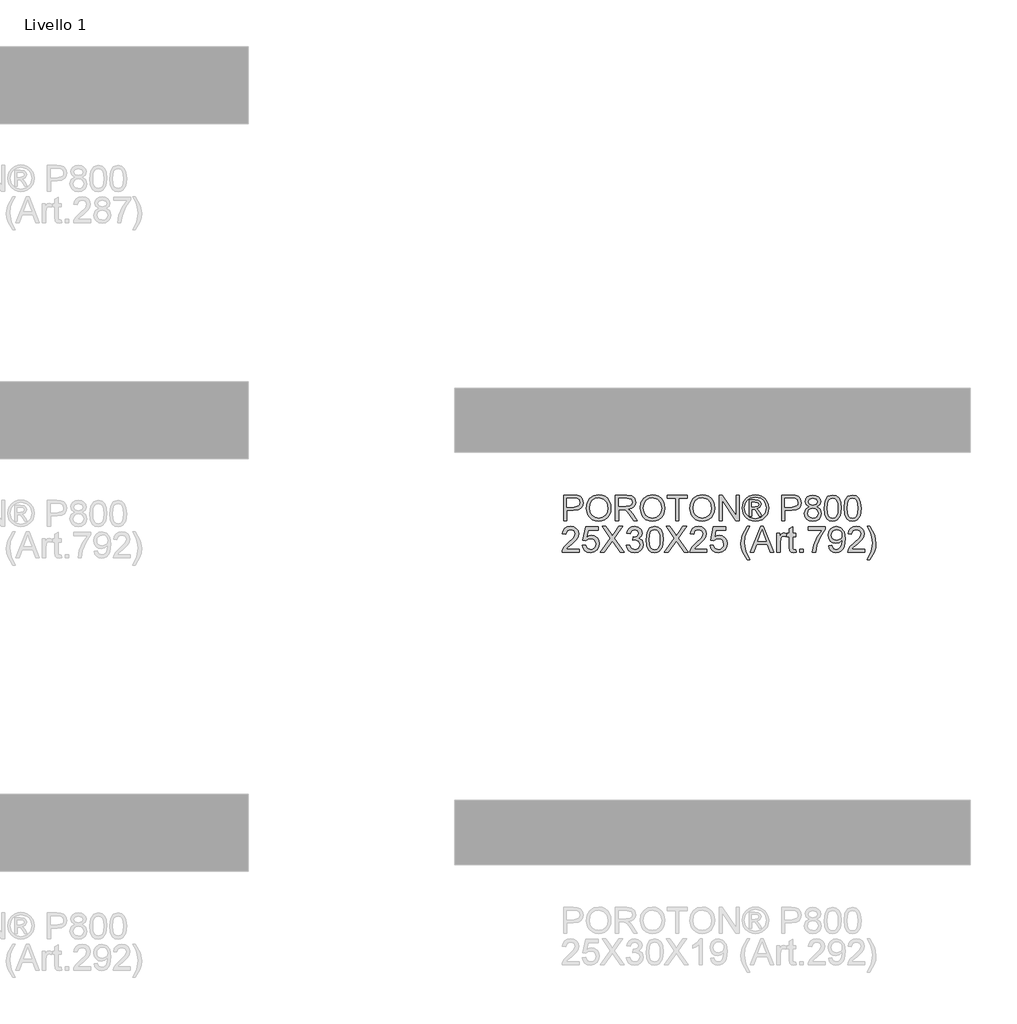
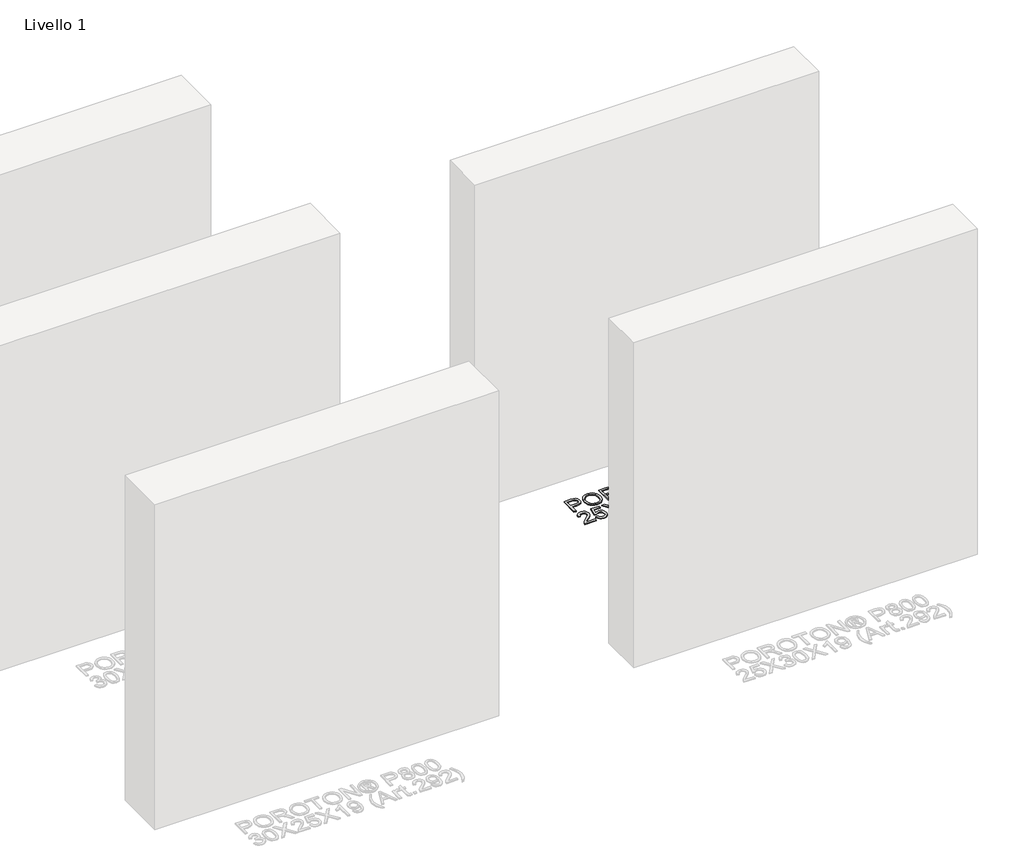
# One storey, part 8 of 8: 1 proxy.
"""IFC4 building model written with IfcOpenShell, lengths in millimetres."""

from ifc_helpers import new_model, si_unit, origin, origin_with_axes, place, context, project, spatial, polyline, outline, extrude, element, save

model = new_model("IFC4")

# Units and contexts
model_context = context("Model", 3, world=origin())
ifc_project = project(units=[si_unit("LENGTHUNIT", "METRE", prefix="MILLI")], contexts=[model_context])

# Site, building, storey
site = spatial("IfcSite", under=ifc_project)
building = spatial("IfcBuilding", under=site)
storey = spatial("IfcBuildingStorey", under=building, Name="Livello 1", Elevation=0.0)

# Proxy
placement = place(None, origin())
element("IfcBuildingElementProxy", 1, Name="100", ObjectType="100", at=placement, inside=storey, context=model_context, shape_type="SweptSolid", body=[
    extrude(outline(polyline([(1080.1467848, 3886.8671601), (1080.1467848, 3987.3234702), (1117.3764427, 3987.3234702), (1132.3860281, 3986.3669771), (1144.5874477, 3981.6703502), (1152.4969105, 3971.9582656), (1155.4890174, 3958.2607926), (1153.4687322, 3946.4211237), (1147.4078763, 3936.5557549), (1136.0740451, 3929.8970908), (1118.2348341, 3927.6775361), (1092.7038236, 3927.6775361), (1092.7038236, 3886.8671601), (1080.1467848, 3886.8671601)]), holes=[polyline([(1092.7038236, 3940.2345749), (1118.9705981, 3940.2345749), (1137.4627997, 3944.8453625), (1141.5646839, 3950.3942493), (1142.9319787, 3957.8193342), (1139.7068798, 3968.218132), (1131.2333312, 3973.9080401), (1118.6762925, 3974.7664315), (1092.7038236, 3974.7664315), (1092.7038236, 3940.2345749)])]), origin_with_axes(), (0.0, 0.0, 1.0), 5.0),
    extrude(outline(polyline([(1168.0460562, 3935.77094), (1171.3937824, 3957.9848811), (1181.4369608, 3974.7909569), (1196.7715087, 3985.3675643), (1215.9933429, 3988.8931001), (1229.1696497, 3987.2376311), (1240.9847931, 3982.2712242), (1250.7949797, 3974.3433672), (1257.9564158, 3963.803548), (1262.3342116, 3951.1606701), (1263.7934768, 3936.9236369), (1262.2575695, 3922.4965313), (1257.6498475, 3909.6758438), (1250.2247626, 3899.1176305), (1240.2367664, 3891.4779478), (1228.5227905, 3886.8426346), (1215.9197665, 3885.2975302), (1202.5411246, 3887.0051158), (1190.6585362, 3892.1278726), (1180.8728751, 3900.2028824), (1173.7850153, 3910.767227), (1168.0460562, 3935.77094)]), holes=[polyline([(1180.603095, 3935.6483127), (1183.1138896, 3919.9336201), (1190.6462734, 3907.9590611), (1201.9678418, 3900.380692), (1215.8461901, 3897.854569), (1229.9268735, 3900.4052175), (1241.266836, 3908.057163), (1248.7440375, 3920.399604), (1251.2364381, 3937.0217388), (1246.9690069, 3957.7457578), (1234.4978073, 3971.4677562), (1216.0669193, 3976.3360613), (1202.5595187, 3973.9908136), (1191.0754691, 3966.9550704), (1183.2211885, 3954.4378856), (1180.603095, 3935.6483127)])]), origin_with_axes(), (0.0, 0.0, 1.0), 5.0),
    extrude(outline(polyline([(1281.0594051, 3886.8671601), (1281.0594051, 3987.3234702), (1324.3468532, 3987.3234702), (1344.4454729, 3984.6134062), (1355.4328818, 3975.0239489), (1359.5408974, 3959.8304225), (1357.8394432, 3949.9343968), (1352.7350805, 3941.7306283), (1344.0745252, 3935.7157577), (1331.7044931, 3932.3864256), (1338.8414038, 3927.0153485), (1349.0194724, 3914.0904277), (1365.7703659, 3886.8671601), (1351.1777134, 3886.8671601), (1338.1056398, 3907.689281), (1328.6633353, 3921.4725931), (1322.0291967, 3927.9841044), (1316.0572456, 3930.3753374), (1308.7731821, 3930.8167958), (1293.6164439, 3930.8167958), (1293.6164439, 3886.8671601), (1281.0594051, 3886.8671601)]), holes=[polyline([(1293.6164439, 3943.3738345), (1321.7226283, 3943.3738345), (1336.0577634, 3945.1519309), (1344.2002182, 3950.8418391), (1346.9838587, 3959.3644386), (1341.6740952, 3970.4254239), (1324.8864135, 3974.7664315), (1293.6164439, 3974.7664315), (1293.6164439, 3943.3738345)])]), origin_with_axes(), (0.0, 0.0, 1.0), 5.0),
    extrude(outline(polyline([(1376.8068257, 3935.77094), (1380.1545519, 3957.9848811), (1390.1977304, 3974.7909569), (1405.5322782, 3985.3675643), (1424.7541124, 3988.8931001), (1437.9304192, 3987.2376311), (1449.7455627, 3982.2712242), (1459.5557492, 3974.3433672), (1466.7171854, 3963.803548), (1471.0949811, 3951.1606701), (1472.5542464, 3936.9236369), (1471.018339, 3922.4965313), (1466.410617, 3909.6758438), (1458.9855321, 3899.1176305), (1448.9975359, 3891.4779478), (1437.2835601, 3886.8426346), (1424.680536, 3885.2975302), (1411.3018942, 3887.0051158), (1399.4193057, 3892.1278726), (1389.6336446, 3900.2028824), (1382.5457849, 3910.767227), (1376.8068257, 3935.77094)]), holes=[polyline([(1389.3638645, 3935.6483127), (1391.8746591, 3919.9336201), (1399.407043, 3907.9590611), (1410.7286114, 3900.380692), (1424.6069596, 3897.854569), (1438.687643, 3900.4052175), (1450.0276055, 3908.057163), (1457.5048071, 3920.399604), (1459.9972076, 3937.0217388), (1455.7297764, 3957.7457578), (1443.2585768, 3971.4677562), (1424.8276888, 3976.3360613), (1411.3202883, 3973.9908136), (1399.8362386, 3966.9550704), (1391.981958, 3954.4378856), (1389.3638645, 3935.6483127)])]), origin_with_axes(), (0.0, 0.0, 1.0), 5.0),
    extrude(outline(polyline([(1514.9342522, 3886.8671601), (1514.9342522, 3974.7664315), (1481.9720254, 3974.7664315), (1481.9720254, 3987.3234702), (1560.4535177, 3987.3234702), (1560.4535177, 3974.7664315), (1527.491291, 3974.7664315), (1527.491291, 3886.8671601), (1514.9342522, 3886.8671601)])), origin_with_axes(), (0.0, 0.0, 1.0), 5.0),
    extrude(outline(polyline([(1569.8712968, 3935.77094), (1573.219023, 3957.9848811), (1583.2622014, 3974.7909569), (1598.5967493, 3985.3675643), (1617.8185835, 3988.8931001), (1630.9948903, 3987.2376311), (1642.8100337, 3982.2712242), (1652.6202203, 3974.3433672), (1659.7816564, 3963.803548), (1664.1594522, 3951.1606701), (1665.6187174, 3936.9236369), (1664.0828101, 3922.4965313), (1659.4750881, 3909.6758438), (1652.0500032, 3899.1176305), (1642.062007, 3891.4779478), (1630.3480311, 3886.8426346), (1617.7450071, 3885.2975302), (1604.3663652, 3887.0051158), (1592.4837768, 3892.1278726), (1582.6981157, 3900.2028824), (1575.6102559, 3910.767227), (1569.8712968, 3935.77094)]), holes=[polyline([(1582.4283356, 3935.6483127), (1584.9391302, 3919.9336201), (1592.471514, 3907.9590611), (1603.7930824, 3900.380692), (1617.6714307, 3897.854569), (1631.7521141, 3900.4052175), (1643.0920766, 3908.057163), (1650.5692781, 3920.399604), (1653.0616787, 3937.0217388), (1648.7942475, 3957.7457578), (1636.3230479, 3971.4677562), (1617.8921599, 3976.3360613), (1604.3847593, 3973.9908136), (1592.9007097, 3966.9550704), (1585.0464291, 3954.4378856), (1582.4283356, 3935.6483127)])]), origin_with_axes(), (0.0, 0.0, 1.0), 5.0),
    extrude(outline(polyline([(1682.8846457, 3886.8671601), (1682.8846457, 3987.3234702), (1696.3246013, 3987.3234702), (1748.8090993, 3907.7383319), (1748.8090993, 3987.3234702), (1761.366138, 3987.3234702), (1761.366138, 3886.8671601), (1747.9261825, 3886.8671601), (1695.4416845, 3966.4768238), (1695.4416845, 3886.8671601), (1682.8846457, 3886.8671601)])), origin_with_axes(), (0.0, 0.0, 1.0), 5.0),
    extrude(outline(polyline([(1824.1758573, 3988.8931001), (1837.0701213, 3987.219237), (1849.6578169, 3982.1976478), (1860.7157365, 3974.0613243), (1869.0206726, 3963.0432586), (1874.2170057, 3950.3206729), (1875.9491168, 3937.0707897), (1874.2415312, 3923.9374025), (1869.1187744, 3911.31905), (1860.9150059, 3900.3408382), (1849.9643852, 3892.1278726), (1837.3552298, 3887.0051158), (1824.1758573, 3885.2975302), (1811.014879, 3887.0051158), (1798.4118549, 3892.1278726), (1787.4520372, 3900.3408382), (1779.2206775, 3911.31905), (1774.0703296, 3923.9374025), (1772.353547, 3937.0707897), (1774.0948551, 3950.3206729), (1779.3187794, 3963.0432586), (1787.6513066, 3974.0613243), (1798.7184233, 3982.1976478), (1811.2999875, 3987.219237), (1824.1758573, 3988.8931001)]), holes=[polyline([(1824.1758573, 3979.475321), (1803.3537364, 3973.9938793), (1794.3252991, 3967.3321495), (1787.4980224, 3958.3098436), (1781.771326, 3937.0707897), (1787.3876578, 3916.0156768), (1803.1084818, 3900.3316411), (1824.1758573, 3894.7153093), (1845.2554957, 3900.3316411), (1860.9395314, 3916.0156768), (1866.5313377, 3937.0707897), (1860.8414295, 3958.3098436), (1854.0325469, 3967.3321495), (1844.9857155, 3973.9938793), (1824.1758573, 3979.475321)])]), origin_with_axes(), (0.0, 0.0, 1.0), 5.0),
    extrude(outline(polyline([(1800.6068842, 3905.7027182), (1800.6068842, 3968.4879121), (1820.8894449, 3968.4879121), (1835.9480812, 3966.7588667), (1843.3670348, 3960.725602), (1846.1261497, 3951.5653403), (1841.3682092, 3939.6459637), (1828.7621195, 3933.9560555), (1833.6672128, 3930.620592), (1842.2266006, 3918.0880787), (1849.2654094, 3905.7027182), (1838.670408, 3905.7027182), (1833.152178, 3915.6600576), (1823.9060772, 3930.0810318), (1815.8862497, 3932.3864256), (1810.0246633, 3932.3864256), (1810.0246633, 3905.7027182), (1800.6068842, 3905.7027182)]), holes=[polyline([(1810.0246633, 3941.8042047), (1821.9440399, 3941.8042047), (1833.5936364, 3944.1954377), (1836.7083706, 3950.5352707), (1835.2123172, 3955.0970075), (1831.0552507, 3958.0891144), (1821.1837504, 3959.070133), (1810.0246633, 3959.070133), (1810.0246633, 3941.8042047)])]), origin_with_axes(), (0.0, 0.0, 1.0), 5.0),
    extrude(outline(polyline([(1926.1772719, 3886.8671601), (1926.1772719, 3987.3234702), (1963.4069298, 3987.3234702), (1978.4165152, 3986.3669771), (1990.6179347, 3981.6703502), (1998.5273976, 3971.9582656), (2001.5195045, 3958.2607926), (1999.4992192, 3946.4211237), (1993.4383633, 3936.5557549), (1982.1045322, 3929.8970908), (1964.2653211, 3927.6775361), (1938.7343106, 3927.6775361), (1938.7343106, 3886.8671601), (1926.1772719, 3886.8671601)]), holes=[polyline([(1938.7343106, 3940.2345749), (1965.0010851, 3940.2345749), (1983.4932867, 3944.8453625), (1987.595171, 3950.3942493), (1988.9624657, 3957.8193342), (1985.7373669, 3968.218132), (1977.2638183, 3973.9080401), (1964.7067795, 3974.7664315), (1938.7343106, 3974.7664315), (1938.7343106, 3940.2345749)])]), origin_with_axes(), (0.0, 0.0, 1.0), 5.0),
    extrude(outline(polyline([(2032.3725411, 3942.1966122), (2020.9314111, 3949.9957105), (2017.2158029, 3962.1358163), (2019.2391539, 3971.9521342), (2025.3092068, 3980.0639322), (2034.74538, 3985.5085857), (2046.8670918, 3987.3234702), (2059.0623799, 3985.4656662), (2068.6211804, 3979.8922539), (2074.8015979, 3971.6516972), (2076.8617371, 3961.7924598), (2073.1951799, 3949.9589223), (2062.0728809, 3942.1966122), (2075.4269973, 3932.3496374), (2080.0009968, 3916.101516), (2077.7323912, 3904.0963002), (2070.9265742, 3894.1757491), (2060.4174119, 3887.5170849), (2047.03877, 3885.2975302), (2033.6601281, 3887.526282), (2023.1509658, 3894.2125373), (2016.3451489, 3904.2281246), (2014.0765433, 3916.4448725), (2018.8344837, 3933.0731387), (2032.3725411, 3942.1966122)]), holes=[polyline([(2029.7728417, 3961.7679343), (2034.2242139, 3951.9086968), (2047.1859228, 3948.0827241), (2059.8901144, 3951.8841714), (2064.3046983, 3961.2038486), (2059.7429616, 3970.8546196), (2047.03877, 3974.7664315), (2034.2977903, 3970.9404587), (2029.7728417, 3961.7679343)]), polyline([(2026.633582, 3916.8863309), (2028.7305094, 3907.4317636), (2036.149463, 3900.3561666), (2047.1368719, 3897.854569), (2055.6839969, 3899.1697471), (2062.0974064, 3903.1152815), (2067.443958, 3916.4939234), (2061.9257281, 3930.1300827), (2055.3651658, 3934.1767847), (2046.719939, 3935.5256853), (2038.2923756, 3934.1951788), (2031.9433455, 3930.2036591), (2026.633582, 3916.8863309)])]), origin_with_axes(), (0.0, 0.0, 1.0), 5.0),
    extrude(outline(polyline([(2090.9884057, 3936.2859748), (2094.6794884, 3965.1892369), (2105.6423719, 3981.8542912), (2123.9506325, 3987.3234702), (2138.6168614, 3984.0861087), (2148.745879, 3974.7541687), (2154.6319909, 3959.8917361), (2156.9128592, 3936.2859748), (2153.2585648, 3907.50534), (2142.3324695, 3890.8034974), (2134.1011099, 3886.674022), (2123.9506325, 3885.2975302), (2110.9030844, 3887.6887632), (2100.994796, 3894.8624621), (2093.4900033, 3911.8524789), (2090.9884057, 3936.2859748)]), holes=[polyline([(2103.5454445, 3936.3105002), (2105.0169725, 3916.5583028), (2109.4315564, 3905.1263698), (2116.0043814, 3899.6725192), (2123.9506325, 3897.854569), (2131.8968836, 3899.6786506), (2138.4697086, 3905.1508953), (2142.8842925, 3916.5889596), (2144.3558205, 3936.3105002), (2142.9333434, 3955.6181736), (2138.6659123, 3967.1390114), (2132.10535, 3972.8595765), (2123.8034797, 3974.7664315), (2115.9430677, 3973.086437), (2109.6277601, 3968.0464537), (2105.0660234, 3955.808246), (2103.5454445, 3936.3105002)])]), origin_with_axes(), (0.0, 0.0, 1.0), 5.0),
    extrude(outline(polyline([(2167.9002682, 3936.2859748), (2171.5913509, 3965.1892369), (2182.5542343, 3981.8542912), (2200.8624949, 3987.3234702), (2215.5287238, 3984.0861087), (2225.6577414, 3974.7541687), (2231.5438533, 3959.8917361), (2233.8247217, 3936.2859748), (2230.1704272, 3907.50534), (2219.244332, 3890.8034974), (2211.0129723, 3886.674022), (2200.8624949, 3885.2975302), (2187.8149468, 3887.6887632), (2177.9066584, 3894.8624621), (2170.4018657, 3911.8524789), (2167.9002682, 3936.2859748)]), holes=[polyline([(2180.4573069, 3936.3105002), (2181.9288349, 3916.5583028), (2186.3434189, 3905.1263698), (2192.9162438, 3899.6725192), (2200.8624949, 3897.854569), (2208.808746, 3899.6786506), (2215.381571, 3905.1508953), (2219.796155, 3916.5889596), (2221.2676829, 3936.3105002), (2219.8452059, 3955.6181736), (2215.5777747, 3967.1390114), (2209.0172125, 3972.8595765), (2200.7153421, 3974.7664315), (2192.8549302, 3973.086437), (2186.5396226, 3968.0464537), (2181.9778858, 3955.808246), (2180.4573069, 3936.3105002)])]), origin_with_axes(), (0.0, 0.0, 1.0), 5.0),
    extrude(outline(polyline([(1139.792719, 3777.449381), (1139.792719, 3764.8923422), (1073.8682654, 3764.8923422), (1075.2171661, 3773.5498319), (1082.8445861, 3786.8794228), (1098.5654101, 3801.4352871), (1120.2459223, 3822.3555099), (1125.6660504, 3836.5802804), (1120.5524906, 3848.0949868), (1107.1983742, 3852.7916136), (1093.2801721, 3848.2053514), (1087.9949341, 3835.5256853), (1075.4378953, 3837.0953152), (1078.4821188, 3849.2415524), (1085.0641408, 3858.1136398), (1094.8406049, 3863.5398993), (1107.4681543, 3865.3486524), (1120.1876743, 3863.3375642), (1129.9457442, 3857.3042994), (1136.1537529, 3848.2911906), (1138.2230891, 3837.3405698), (1135.9912717, 3825.4334559), (1128.5723181, 3813.1216718), (1110.5828886, 3795.9170572), (1096.1373889, 3783.838265), (1090.4720062, 3777.449381), (1139.792719, 3777.449381)])), origin_with_axes(), (0.0, 0.0, 1.0), 5.0),
    extrude(outline(polyline([(1152.3497577, 3791.5760496), (1164.9067965, 3793.1456795), (1171.2343668, 3780.208496), (1184.3554913, 3775.8797512), (1193.3563375, 3777.3850017), (1200.1008407, 3781.9007532), (1204.3130896, 3788.9058395), (1205.7171725, 3797.8790945), (1200.45646, 3812.790578), (1193.8499125, 3816.8924623), (1184.5516951, 3818.259757), (1173.5274979, 3816.0769905), (1166.4764264, 3810.4116078), (1153.9193876, 3811.9812376), (1164.9067965, 3863.7790225), (1213.5653217, 3863.7790225), (1213.5653217, 3851.2219838), (1175.0603396, 3851.2219838), (1169.6892625, 3823.5572577), (1178.6594518, 3829.0019113), (1188.0588367, 3830.8167958), (1199.7912067, 3828.5665842), (1209.5308825, 3821.8159496), (1216.0883791, 3811.5275165), (1218.2742113, 3798.6639094), (1216.3060426, 3786.1068706), (1210.4015366, 3775.3647164), (1199.0952966, 3766.3332134), (1184.3064404, 3763.3227124), (1171.9731965, 3765.2571586), (1162.1476816, 3771.060497), (1155.4123754, 3780.0582775), (1152.3497577, 3791.5760496)])), origin_with_axes(), (0.0, 0.0, 1.0), 5.0),
    extrude(outline(polyline([(1222.9831008, 3764.8923422), (1261.7088122, 3819.6331831), (1229.2616202, 3865.3486524), (1244.3202565, 3865.3486524), (1262.591729, 3839.6214382), (1268.747621, 3829.5905225), (1275.9581081, 3839.7931165), (1294.0333768, 3865.3486524), (1309.3127424, 3865.3486524), (1276.8655504, 3819.4860303), (1315.5912617, 3764.8923422), (1300.5326254, 3764.8923422), (1274.7318348, 3801.2881343), (1269.3607577, 3808.8419779), (1263.4501203, 3800.5523703), (1238.2624664, 3764.8923422), (1222.9831008, 3764.8923422)])), origin_with_axes(), (0.0, 0.0, 1.0), 5.0),
    extrude(outline(polyline([(1323.439411, 3791.5760496), (1335.9964497, 3793.1456795), (1342.924894, 3779.9264531), (1355.8866029, 3775.8797512), (1364.4950416, 3777.2715714), (1371.141443, 3781.447032), (1376.8068257, 3795.2303441), (1371.1904939, 3808.2165785), (1356.9166725, 3813.3546637), (1348.1120301, 3811.9812376), (1349.5099817, 3824.5382764), (1351.5210699, 3824.3911236), (1365.7703659, 3827.9963672), (1370.5160436, 3832.5703666), (1372.0979362, 3839.0818779), (1367.511674, 3848.9043272), (1355.6903992, 3852.7916136), (1343.7219716, 3848.867539), (1337.5660796, 3837.0953152), (1325.0090408, 3838.664945), (1328.7062549, 3849.9405282), (1335.2852112, 3858.3588945), (1344.2860574, 3863.6012129), (1355.2489408, 3865.3486524), (1370.3934163, 3861.9028244), (1380.9884178, 3852.4850453), (1384.654975, 3839.8176419), (1381.1723587, 3828.2416218), (1370.8716629, 3819.9274887), (1384.5568731, 3811.3435755), (1389.3638645, 3795.0096149), (1386.9603688, 3782.7714072), (1379.7498817, 3772.5442877), (1368.866706, 3765.6281062), (1355.4451446, 3763.3227124), (1343.3050387, 3765.2908811), (1333.4212758, 3771.1953871), (1326.5480138, 3780.2268901), (1323.439411, 3791.5760496)])), origin_with_axes(), (0.0, 0.0, 1.0), 5.0),
    extrude(outline(polyline([(1400.3512734, 3814.3111569), (1404.0423561, 3843.214419), (1415.0052396, 3859.8794734), (1433.3135002, 3865.3486524), (1447.9797291, 3862.1112908), (1458.1087467, 3852.7793509), (1463.9948586, 3837.9169183), (1466.275727, 3814.3111569), (1462.6214325, 3785.5305222), (1451.6953372, 3768.8286796), (1443.4639776, 3764.6992042), (1433.3135002, 3763.3227124), (1420.2659521, 3765.7139454), (1410.3576637, 3772.8876443), (1402.852871, 3789.8776611), (1400.3512734, 3814.3111569)]), holes=[polyline([(1412.9083122, 3814.3356824), (1414.3798402, 3794.5834849), (1418.7944241, 3783.1515519), (1425.3672491, 3777.6977014), (1433.3135002, 3775.8797512), (1441.2597513, 3777.7038327), (1447.8325763, 3783.1760774), (1452.2471602, 3794.6141418), (1453.7186882, 3814.3356824), (1452.2962111, 3833.6433558), (1448.02878, 3845.1641936), (1441.4682178, 3850.8847586), (1433.1663474, 3852.7916136), (1425.3059354, 3851.1116192), (1418.9906279, 3846.0716358), (1414.4288911, 3833.8334281), (1412.9083122, 3814.3356824)])]), origin_with_axes(), (0.0, 0.0, 1.0), 5.0),
    extrude(outline(polyline([(1470.9846165, 3764.8923422), (1509.7103279, 3819.6331831), (1477.2631359, 3865.3486524), (1492.3217722, 3865.3486524), (1510.5932447, 3839.6214382), (1516.7491367, 3829.5905225), (1523.9596238, 3839.7931165), (1542.0348925, 3865.3486524), (1557.314258, 3865.3486524), (1524.8670661, 3819.4860303), (1563.5927774, 3764.8923422), (1548.5341411, 3764.8923422), (1522.7333505, 3801.2881343), (1517.3622734, 3808.8419779), (1511.451636, 3800.5523703), (1486.263982, 3764.8923422), (1470.9846165, 3764.8923422)])), origin_with_axes(), (0.0, 0.0, 1.0), 5.0),
    extrude(outline(polyline([(1635.7957503, 3777.449381), (1635.7957503, 3764.8923422), (1569.8712968, 3764.8923422), (1571.2201975, 3773.5498319), (1578.8476175, 3786.8794228), (1594.5684414, 3801.4352871), (1616.2489537, 3822.3555099), (1621.6690817, 3836.5802804), (1616.555522, 3848.0949868), (1603.2014056, 3852.7916136), (1589.2832034, 3848.2053514), (1583.9979654, 3835.5256853), (1571.4409267, 3837.0953152), (1574.4851502, 3849.2415524), (1581.0671722, 3858.1136398), (1590.8436362, 3863.5398993), (1603.4711857, 3865.3486524), (1616.1907057, 3863.3375642), (1625.9487756, 3857.3042994), (1632.1567843, 3848.2911906), (1634.2261205, 3837.3405698), (1631.9943031, 3825.4334559), (1624.5753495, 3813.1216718), (1606.5859199, 3795.9170572), (1592.1404202, 3783.838265), (1586.4750375, 3777.449381), (1635.7957503, 3777.449381)])), origin_with_axes(), (0.0, 0.0, 1.0), 5.0),
    extrude(outline(polyline([(1648.3527891, 3791.5760496), (1660.9098279, 3793.1456795), (1667.2373982, 3780.208496), (1680.3585227, 3775.8797512), (1689.3593688, 3777.3850017), (1696.1038721, 3781.9007532), (1700.3161209, 3788.9058395), (1701.7202039, 3797.8790945), (1696.4594913, 3812.790578), (1689.8529439, 3816.8924623), (1680.5547264, 3818.259757), (1669.5305293, 3816.0769905), (1662.4794577, 3810.4116078), (1649.922419, 3811.9812376), (1660.9098279, 3863.7790225), (1709.5683531, 3863.7790225), (1709.5683531, 3851.2219838), (1671.0633709, 3851.2219838), (1665.6922938, 3823.5572577), (1674.6624831, 3829.0019113), (1684.0618681, 3830.8167958), (1695.7942381, 3828.5665842), (1705.5339139, 3821.8159496), (1712.0914105, 3811.5275165), (1714.2772426, 3798.6639094), (1712.309074, 3786.1068706), (1706.404568, 3775.3647164), (1695.098328, 3766.3332134), (1680.3094718, 3763.3227124), (1667.9762279, 3765.2571586), (1658.1507129, 3771.060497), (1651.4154067, 3780.0582775), (1648.3527891, 3791.5760496)])), origin_with_axes(), (0.0, 0.0, 1.0), 5.0),
    extrude(outline(polyline([(1792.758735, 3736.639005), (1774.9287209, 3766.0940901), (1769.4656733, 3783.2741793), (1767.6446574, 3801.0674051), (1773.0893109, 3831.6016107), (1792.758735, 3865.3486524), (1802.176514, 3865.3486524), (1790.4288157, 3845.4584992), (1783.3654813, 3826.1814826), (1780.2016962, 3800.9938287), (1785.6954006, 3768.8041541), (1802.176514, 3736.639005), (1792.758735, 3736.639005)])), origin_with_axes(), (0.0, 0.0, 1.0), 5.0),
    extrude(outline(polyline([(1804.6045352, 3764.8923422), (1844.7036727, 3865.3486524), (1855.396776, 3865.3486524), (1895.4959135, 3764.8923422), (1882.2276362, 3764.8923422), (1870.7251925, 3796.2849392), (1829.3507307, 3796.2849392), (1817.8728125, 3764.8923422), (1804.6045352, 3764.8923422)]), holes=[polyline([(1833.9615184, 3808.8419779), (1866.1389303, 3808.8419779), (1857.0890332, 3833.5391225), (1850.0502243, 3852.7916136), (1843.7962304, 3835.6973636), (1833.9615184, 3808.8419779)])]), origin_with_axes(), (0.0, 0.0, 1.0), 5.0),
    extrude(outline(polyline([(1907.3417137, 3764.8923422), (1907.3417137, 3838.664945), (1918.3291226, 3838.664945), (1918.3291226, 3827.7511125), (1926.1282209, 3837.8065537), (1933.9763702, 3840.2345749), (1946.5824599, 3836.3595512), (1942.3886051, 3825.1023621), (1933.5594372, 3827.6775361), (1926.4593147, 3825.200464), (1921.9343662, 3818.3333334), (1919.8987525, 3803.6671045), (1919.8987525, 3764.8923422), (1907.3417137, 3764.8923422)])), origin_with_axes(), (0.0, 0.0, 1.0), 5.0),
    extrude(outline(polyline([(1981.1143165, 3775.3647164), (1982.6839463, 3764.5244602), (1973.2906927, 3763.3227124), (1962.7692677, 3765.407377), (1957.5208179, 3770.876556), (1956.0002389, 3785.125852), (1956.0002389, 3826.1079062), (1946.5824599, 3826.1079062), (1946.5824599, 3838.664945), (1956.0002389, 3838.664945), (1956.0002389, 3856.5930609), (1968.5572777, 3863.9752263), (1968.5572777, 3838.664945), (1981.1143165, 3838.664945), (1981.1143165, 3826.1079062), (1968.5572777, 3826.1079062), (1968.5572777, 3785.493734), (1969.2194653, 3779.0190109), (1971.3654436, 3776.7258798), (1975.6451375, 3775.8797512), (1981.1143165, 3775.3647164)])), origin_with_axes(), (0.0, 0.0, 1.0), 5.0),
    extrude(outline(polyline([(1996.8106149, 3764.8923422), (1996.8106149, 3777.449381), (2009.3676537, 3777.449381), (2009.3676537, 3764.8923422), (1996.8106149, 3764.8923422)])), origin_with_axes(), (0.0, 0.0, 1.0), 5.0),
    extrude(outline(polyline([(2029.7728417, 3851.2219838), (2029.7728417, 3863.7790225), (2095.6972952, 3863.7790225), (2095.6972952, 3853.6254795), (2076.9966272, 3826.6106783), (2062.6860175, 3792.1891863), (2058.0261789, 3764.8923422), (2045.4691402, 3764.8923422), (2050.4600726, 3793.2192559), (2064.1575455, 3825.2372522), (2083.1402565, 3851.2219838), (2029.7728417, 3851.2219838)])), origin_with_axes(), (0.0, 0.0, 1.0), 5.0),
    extrude(outline(polyline([(2108.254334, 3790.0064198), (2120.8113728, 3791.5760496), (2126.45223, 3779.5953593), (2137.1453334, 3775.8797512), (2147.3111392, 3778.2709841), (2154.2027952, 3784.6598681), (2158.3108108, 3795.5737006), (2160.1256953, 3810.1418277), (2160.0521189, 3812.5943743), (2150.0089405, 3803.0784933), (2136.2378911, 3799.4241989), (2124.787564, 3801.6560163), (2115.2563547, 3808.3514686), (2108.8276168, 3818.695084), (2106.6847042, 3831.8713908), (2108.93185, 3845.4830247), (2115.6732876, 3856.1516025), (2125.7992395, 3863.0493899), (2138.1999284, 3865.3486524), (2156.0912561, 3860.1002026), (2168.4030402, 3845.1396681), (2172.6091577, 3817.0334837), (2168.415303, 3786.5360663), (2163.2005757, 3776.5450044), (2155.9441033, 3769.2578753), (2146.9585856, 3764.8065031), (2136.5567222, 3763.3227124), (2125.8206993, 3765.0732176), (2117.2551802, 3770.324733), (2111.264835, 3778.746165), (2108.254334, 3790.0064198)]), holes=[polyline([(2160.0521189, 3832.1656964), (2158.6970869, 3840.6760333), (2154.6319909, 3847.2243328), (2148.3228147, 3851.3997934), (2140.2355421, 3852.7916136), (2131.8478326, 3851.2924945), (2125.1278549, 3846.7951371), (2120.7132709, 3839.9126781), (2119.2417429, 3831.2582542), (2120.6335632, 3823.4990098), (2124.8090238, 3817.340052), (2131.3634547, 3813.3209412), (2139.8921856, 3811.9812376), (2154.3744735, 3817.340052), (2158.6327076, 3823.7258703), (2160.0521189, 3832.1656964)])]), origin_with_axes(), (0.0, 0.0, 1.0), 5.0),
    extrude(outline(polyline([(2247.9513903, 3777.449381), (2247.9513903, 3764.8923422), (2182.0269368, 3764.8923422), (2183.3758374, 3773.5498319), (2191.0032575, 3786.8794228), (2206.7240814, 3801.4352871), (2228.4045936, 3822.3555099), (2233.8247217, 3836.5802804), (2228.711162, 3848.0949868), (2215.3570455, 3852.7916136), (2201.4388434, 3848.2053514), (2196.1536054, 3835.5256853), (2183.5965666, 3837.0953152), (2186.6407901, 3849.2415524), (2193.2228122, 3858.1136398), (2202.9992762, 3863.5398993), (2215.6268257, 3865.3486524), (2228.3463457, 3863.3375642), (2238.1044156, 3857.3042994), (2244.3124242, 3848.2911906), (2246.3817605, 3837.3405698), (2244.149943, 3825.4334559), (2236.7309895, 3813.1216718), (2218.7415599, 3795.9170572), (2204.2960602, 3783.838265), (2198.6306775, 3777.449381), (2247.9513903, 3777.449381)])), origin_with_axes(), (0.0, 0.0, 1.0), 5.0),
    extrude(outline(polyline([(2266.7869485, 3736.639005), (2257.3691694, 3736.639005), (2273.8502828, 3768.8041541), (2279.3439872, 3800.9938287), (2276.1802021, 3825.9607534), (2269.1904442, 3845.2622955), (2257.3691694, 3865.3486524), (2266.7869485, 3865.3486524), (2286.4563725, 3831.6016107), (2291.901026, 3801.0674051), (2290.0708131, 3783.2741793), (2284.5801743, 3766.0940901), (2266.7869485, 3736.639005)])), origin_with_axes(), (0.0, 0.0, 1.0), 5.0),
])

save(model, "model.ifc")
